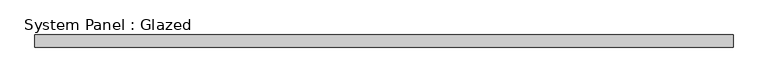
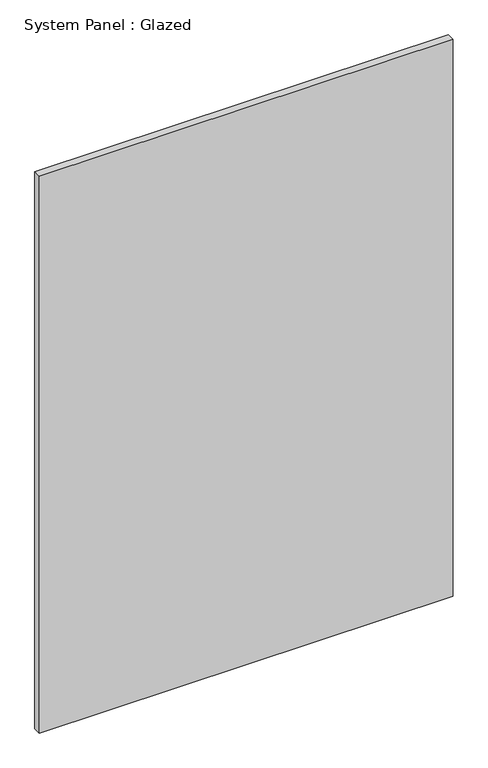
"""IFC4 building model written with IfcOpenShell, lengths in millimetres: plate geometry, System Panel : Glazed."""

from ifc_helpers import new_model, si_unit, origin, origin_with_axes, place, context, project, spatial, polyline, outline, extrude, source, transform, mapped, element, save


def system_panel_glazed_93f5b9b6(model_context):
    return source(origin(), model_context, "Body", "SweptSolid", [
        extrude(outline(polyline([(706.975, 19.05), (-706.975, 19.05), (-706.975, 44.45), (706.975, 44.45), (706.975, 19.05)])), origin_with_axes(), (0.0, 0.0, 1.0), 2010.7536198),
    ])


if __name__ == "__main__":
    model = new_model("IFC4")
    model_context = context("Model", 3, world=origin())
    ifc_project = project(units=[si_unit("LENGTHUNIT", "METRE", prefix="MILLI")], contexts=[model_context])
    site = spatial("IfcSite", under=ifc_project)
    building = spatial("IfcBuilding", under=site)
    placement = place(None, origin())
    system_panel_glazed_shape = system_panel_glazed_93f5b9b6(model_context)
    element("IfcPlate", 1, ObjectType="System Panel : Glazed", at=placement, inside=building, context=model_context, shape_type="MappedRepresentation", body=[
        mapped(system_panel_glazed_shape, transform((0.0, 0.0, 0.0), x_axis=(1.0, 0.0, 0.0), y_axis=(0.0, 1.0, 0.0), z_axis=(0.0, 0.0, 1.0))),
    ])
    save(model, "model.ifc")
